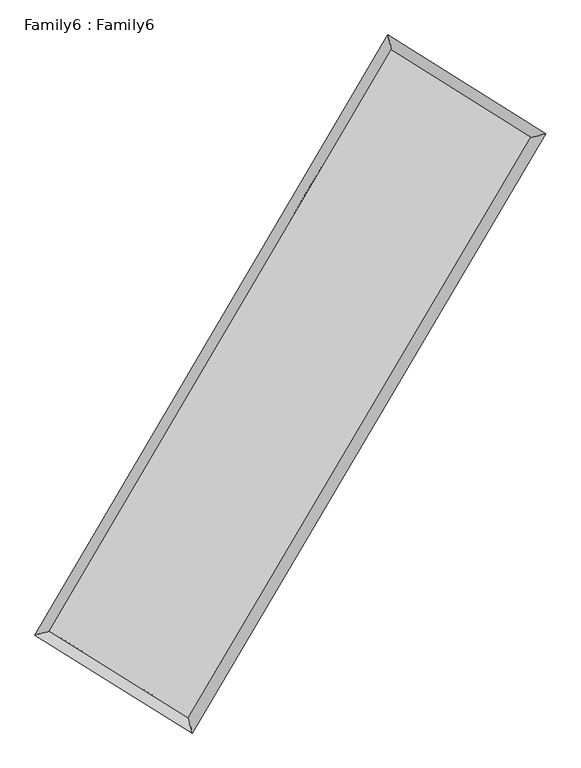
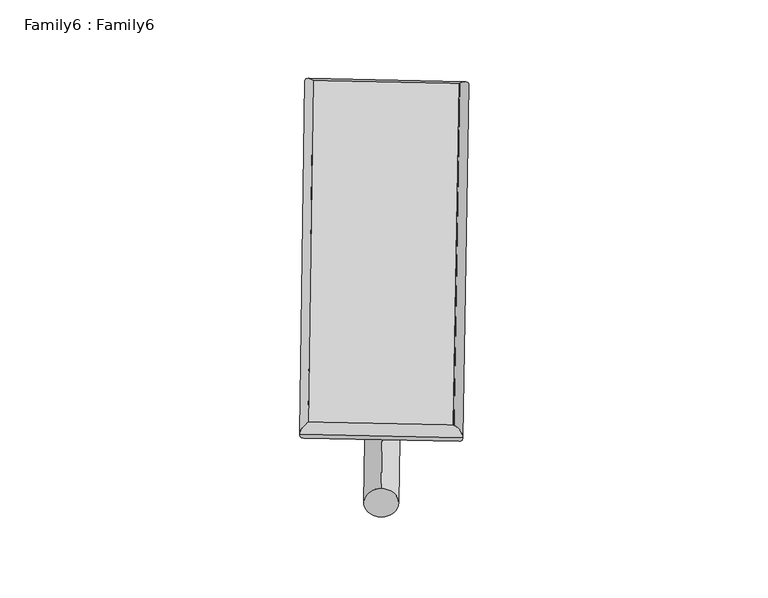
"""IFC4 building model written with IfcOpenShell, lengths in millimetres: plate geometry, Family6 : Family6."""

import ifcopenshell
import ifcopenshell.guid

model = None  # the IFC model being written
_history = None  # IfcOwnerHistory: only IFC2X3 demands one
_inside = {}  # id of a spatial element -> (the spatial element, [elements in it])
_under = {}  # id of a project, library or spatial element -> (it, [spatial elements below it])
_declared = {}  # id of a project -> (the project, [libraries it declares])
_typed = {}  # id of a type object -> (the type object, [elements of that type])
_made_of = {}  # id of a material, layer set ... -> (it, [elements and type objects made of it])


def new_model(schema):
    """Start an empty IFC model of exactly this schema.

    Asked for "IFC4X3", IfcOpenShell would pick the latest addendum, in which some entities
    have other attributes; the version numbers below select the first issue.
    IFC2X3 requires an IfcOwnerHistory on every rooted entity: one is made here for all.
    """
    global model, _history
    if schema == "IFC4X3":
        model = ifcopenshell.file(schema_version=(4, 3, 0, 0))
    else:
        model = ifcopenshell.file(schema=schema)
    _inside.clear()
    _under.clear()
    _declared.clear()
    _typed.clear()
    _made_of.clear()
    _history = None
    if model.schema == "IFC2X3":
        org = make("IfcOrganization", Name="unknown")
        user = make(
            "IfcPersonAndOrganization",
            ThePerson=make("IfcPerson", FamilyName="unknown"),
            TheOrganization=org,
        )
        app = make(
            "IfcApplication",
            ApplicationDeveloper=org,
            Version="unknown",
            ApplicationFullName="unknown",
            ApplicationIdentifier="unknown",
        )
        _history = make(
            "IfcOwnerHistory",
            OwningUser=user,
            OwningApplication=app,
            ChangeAction="ADDED",
            CreationDate=0,
        )
    return model


def make(cls, **values):
    """One entity of the class cls with the attributes given. An attribute that is None is left unset."""
    return model.create_entity(
        cls, **{name: value for name, value in values.items() if value is not None}
    )


def rooted(cls, **values):
    """An entity with a GlobalId (a new one), such as an element, a storey or a relation."""
    return make(cls, GlobalId=ifcopenshell.guid.new(), OwnerHistory=_history, **values)


def si_unit(unit_type, name, prefix=None):
    """IfcSIUnit, for example si_unit("LENGTHUNIT", "METRE", prefix="MILLI")."""
    return make("IfcSIUnit", UnitType=unit_type, Prefix=prefix, Name=name)


def assignment(units):
    """IfcUnitAssignment: the units of a project."""
    return None if units is None else make("IfcUnitAssignment", Units=units)


def point(xyz):
    """IfcCartesianPoint."""
    return None if xyz is None else make("IfcCartesianPoint", Coordinates=xyz)


def direction(xyz):
    """IfcDirection."""
    return None if xyz is None else make("IfcDirection", DirectionRatios=xyz)


def frame(location, z_axis=None, x_axis=None):
    """IfcAxis2Placement3D, a coordinate frame: its origin and axes. An axis left out is left unset."""
    return make(
        "IfcAxis2Placement3D",
        Location=point(location),
        Axis=direction(z_axis),
        RefDirection=direction(x_axis),
    )


def frame_2d(location, x_axis=None):
    """IfcAxis2Placement2D, a coordinate frame in the plane: its origin and x axis."""
    return make(
        "IfcAxis2Placement2D", Location=point(location), RefDirection=direction(x_axis)
    )


def origin():
    """The frame at (0, 0, 0) with its axes left unset."""
    return frame((0.0, 0.0, 0.0))


def origin_2d():
    """The frame at (0, 0) in the plane with its x axis left unset."""
    return frame_2d((0.0, 0.0))


def place(relative_to, where):
    """IfcLocalPlacement: puts the frame where relative to a parent placement (None: the world)."""
    return make(
        "IfcLocalPlacement", PlacementRelTo=relative_to, RelativePlacement=where
    )


def context(
    kind, dimensions, precision=None, world=None, true_north=None, identifier=None
):
    """IfcGeometricRepresentationContext, for example the 3D "Model" context."""
    return make(
        "IfcGeometricRepresentationContext",
        ContextIdentifier=identifier,
        ContextType=kind,
        CoordinateSpaceDimension=dimensions,
        Precision=precision,
        WorldCoordinateSystem=world,
        TrueNorth=true_north,
    )


def project(units=None, contexts=None):
    """IfcProject with its units and contexts."""
    return rooted(
        "IfcProject",
        Name="project",
        RepresentationContexts=contexts,
        UnitsInContext=assignment(units),
    )


def spatial(cls, under=None, at=None, **own):
    """A site, building, storey or space (cls), placed at a placement, below another one or the project."""
    s = rooted(cls, ObjectPlacement=at, **own)
    if under is not None:
        _under.setdefault(under.id(), (under, []))[1].append(s)
    return s


def circle_curve(where, radius):
    """IfcCircle in the frame where."""
    return make("IfcCircle", Position=where, Radius=radius)


def ellipse_curve(where, semi_axis1, semi_axis2):
    """IfcEllipse in the frame where."""
    return make(
        "IfcEllipse", Position=where, SemiAxis1=semi_axis1, SemiAxis2=semi_axis2
    )


def trimmed(basis, trim1, trim2, sense, master):
    """IfcTrimmedCurve: the piece of a basis curve between two trims."""
    return make(
        "IfcTrimmedCurve",
        BasisCurve=basis,
        Trim1=trim1,
        Trim2=trim2,
        SenseAgreement=sense,
        MasterRepresentation=master,
    )


def segment(curve, same_sense, transition):
    """IfcCompositeCurveSegment."""
    return make(
        "IfcCompositeCurveSegment",
        Transition=transition,
        SameSense=same_sense,
        ParentCurve=curve,
    )


def composite_curve(segments, self_intersect=None):
    """IfcCompositeCurve: segments joined end to end."""
    return make("IfcCompositeCurve", Segments=segments, SelfIntersect=self_intersect)


def outline(outer, holes=None, kind="AREA"):
    """IfcArbitraryClosedProfileDef: a profile drawn as a closed curve; with holes, ...WithVoids."""
    if holes is None:
        return make("IfcArbitraryClosedProfileDef", ProfileType=kind, OuterCurve=outer)
    return make(
        "IfcArbitraryProfileDefWithVoids",
        ProfileType=kind,
        OuterCurve=outer,
        InnerCurves=holes,
    )


def extrude(swept, where, along, depth):
    """IfcExtrudedAreaSolid: the profile swept, set in the frame where, extruded along a direction by depth."""
    return make(
        "IfcExtrudedAreaSolid",
        SweptArea=swept,
        Position=where,
        ExtrudedDirection=direction(along),
        Depth=depth,
    )


def shape(context_of_items, identifier, shape_type, items):
    """IfcShapeRepresentation: the items that make up one representation, for example the "Body"."""
    return make(
        "IfcShapeRepresentation",
        ContextOfItems=context_of_items,
        RepresentationIdentifier=identifier,
        RepresentationType=shape_type,
        Items=items,
    )


def source(mapping_origin, context_of_items, identifier, shape_type, items):
    """IfcRepresentationMap: a shape defined once, which mapped items show again and again."""
    return make(
        "IfcRepresentationMap",
        MappingOrigin=mapping_origin,
        MappedRepresentation=shape(context_of_items, identifier, shape_type, items),
    )


def transform(
    local_origin,
    x_axis=None,
    y_axis=None,
    z_axis=None,
    scale=None,
    scale2=None,
    scale3=None,
    uniform=True,
):
    """IfcCartesianTransformationOperator3D, or its non-uniform kind. x_axis, y_axis, z_axis: its Axis1, 2, 3."""
    if uniform:
        return make(
            "IfcCartesianTransformationOperator3D",
            Axis1=direction(x_axis),
            Axis2=direction(y_axis),
            LocalOrigin=point(local_origin),
            Scale=scale,
            Axis3=direction(z_axis),
        )
    return make(
        "IfcCartesianTransformationOperator3DnonUniform",
        Axis1=direction(x_axis),
        Axis2=direction(y_axis),
        LocalOrigin=point(local_origin),
        Scale=scale,
        Axis3=direction(z_axis),
        Scale2=scale2,
        Scale3=scale3,
    )


def mapped(mapping_source, mapping_target):
    """IfcMappedItem: shows the shape of a source again, moved by a transform."""
    return make(
        "IfcMappedItem", MappingSource=mapping_source, MappingTarget=mapping_target
    )


def made_of(thing, what):
    """Note that an element or type object is made of a material, layer set ...; save() writes the relation."""
    if what is not None:
        _made_of.setdefault(what.id(), (what, []))[1].append(thing)
    return thing


def element(
    cls,
    number,
    at=None,
    inside=None,
    cuts=None,
    type_object=None,
    material=None,
    context=None,
    identifier="Body",
    shape_type=None,
    held_by="IfcProductDefinitionShape",
    body=None,
    shapes=None,
    **own,
):
    """One element of the class cls, such as IfcWall. Its Tag is "e" and its number.

    at: its placement. inside: the storey or other place that contains it. cuts: it is an
    opening in that element (IfcRelVoidsElement). A single representation is given by context,
    identifier, shape_type and body (its items); several are given by shapes. held_by: the class
    of the entity that holds the representations. save() writes the other relations.
    """
    e = rooted(cls, Tag="e%d" % number, ObjectPlacement=at, **own)
    if body is not None:
        shapes = [shape(context, identifier, shape_type, body)]
    if shapes is not None:
        e.Representation = make(held_by, Representations=shapes)
    if inside is not None:
        _inside.setdefault(inside.id(), (inside, []))[1].append(e)
    if cuts is not None:
        rooted(
            "IfcRelVoidsElement", RelatingBuildingElement=cuts, RelatedOpeningElement=e
        )
    if type_object is not None:
        _typed.setdefault(type_object.id(), (type_object, []))[1].append(e)
    return made_of(e, material)


def aggregate(whole, parts):
    """IfcRelAggregates: a whole, such as a stair, and the parts it consists of."""
    return rooted("IfcRelAggregates", RelatingObject=whole, RelatedObjects=parts)


def save(model, path):
    """Write the relations noted so far, then the file.

    IfcRelAggregates (storeys below a building ...), IfcRelContainedInSpatialStructure (elements
    in a storey), IfcRelDefinesByType, IfcRelAssociatesMaterial and IfcRelDeclares: one each for
    every whole, place, type object, material and project.
    """
    for whole, parts in _under.values():
        aggregate(whole, parts)
    for where, things in _inside.values():
        rooted(
            "IfcRelContainedInSpatialStructure",
            RelatedElements=things,
            RelatingStructure=where,
        )
    for kind, things in _typed.values():
        rooted("IfcRelDefinesByType", RelatedObjects=things, RelatingType=kind)
    for what, things in _made_of.values():
        rooted("IfcRelAssociatesMaterial", RelatedObjects=things, RelatingMaterial=what)
    for by, libraries in _declared.values():
        rooted("IfcRelDeclares", RelatingContext=by, RelatedDefinitions=libraries)
    model.write(path)


def plane_surface(at):
    """IfcPlane: the flat surface through the origin of the frame at, square to its z axis."""
    return make("IfcPlane", Position=at)


def cylinder_surface(at, radius):
    """IfcCylindricalSurface: all points at the distance radius from the z axis of the frame at."""
    return make("IfcCylindricalSurface", Position=at, Radius=radius)


def spline_surface(u_degree, v_degree, points, u_multiplicities, v_multiplicities, u_knots, v_knots, weights=None):
    """IfcBSplineSurfaceWithKnots; with weights, IfcRationalBSplineSurfaceWithKnots. points: one row for each step in u."""
    own = dict(
        UDegree=u_degree,
        VDegree=v_degree,
        ControlPointsList=[[point(p) for p in row] for row in points],
        SurfaceForm="UNSPECIFIED",
        UClosed=False,
        VClosed=False,
        SelfIntersect=False,
        UMultiplicities=u_multiplicities,
        VMultiplicities=v_multiplicities,
        UKnots=u_knots,
        VKnots=v_knots,
        KnotSpec="UNSPECIFIED",
    )
    if weights is None:
        return make("IfcBSplineSurfaceWithKnots", **own)
    return make("IfcRationalBSplineSurfaceWithKnots", WeightsData=weights, **own)


def advanced_brep(points, edges, surfaces, faces):
    """IfcAdvancedBrep: a solid bounded by faces that lie on surfaces and meet in shared edges.

    An edge is (start, end): straight between two places in points (the first is 0);
    or (start, end, curve); or (start, end, curve, False) where it runs against its curve.
    A face is (place in surfaces, loops), or (place, loops, False) where it looks against
    its surface's normal. A loop lists edges by number (the first is 1), with a minus sign
    where the edge is run from its end to its start. The first loop is the outer one.
    """
    corners = [point(p) for p in points]
    vertices = [make("IfcVertexPoint", VertexGeometry=c) for c in corners]
    made = []
    for start, end, *more in edges:
        made.append(
            make(
                "IfcEdgeCurve",
                EdgeStart=vertices[start],
                EdgeEnd=vertices[end],
                EdgeGeometry=more[0] if more else make("IfcPolyline", Points=[corners[start], corners[end]]),
                SameSense=more[1] if len(more) > 1 else True,
            )
        )
    hull = []
    for where, loops, *sense in faces:
        bounds = []
        for j, loop in enumerate(loops):
            ring = [make("IfcOrientedEdge", EdgeElement=made[abs(k) - 1], Orientation=k > 0) for k in loop]
            bounds.append(
                make(
                    "IfcFaceOuterBound" if j == 0 else "IfcFaceBound",
                    Bound=make("IfcEdgeLoop", EdgeList=ring),
                    Orientation=True,
                )
            )
        hull.append(make("IfcAdvancedFace", Bounds=bounds, FaceSurface=surfaces[where], SameSense=sense[0] if sense else True))
    return make("IfcAdvancedBrep", Outer=make("IfcClosedShell", CfsFaces=hull))


def family6_family6_1fa58dff(model_context):
    return source(origin(), model_context, "Body", "SolidModel", [
        extrude(outline(composite_curve([segment(trimmed(circle_curve(origin_2d(), 76.2), [point((-75.4341514, -10.7763073))], [point((75.4341514, 10.7763073))], False, "CARTESIAN"), True, "CONTINUOUS"), segment(trimmed(circle_curve(origin_2d(), 76.2), [point((75.4341514, 10.7763073))], [point((-75.4341514, -10.7763073))], False, "CARTESIAN"), True, "CONTINUOUS")], self_intersect=False)), frame((9144.0, 9144.0, 0.0), z_axis=(0.6730465210043537, 0.6867274401915723, 0.2746157378080629), x_axis=(-0.6789282683302689, 0.7209465183158511, -0.13889753126069096)), (0.0, 0.0, 1.0), 5546.9501847),
        extrude(outline(composite_curve([segment(trimmed(circle_curve(origin_2d(), 76.2), [point((-53.8815368, 53.8815367))], [point((53.8815368, -53.8815367))], False, "CARTESIAN"), True, "CONTINUOUS"), segment(trimmed(circle_curve(origin_2d(), 76.2), [point((53.8815368, -53.8815367))], [point((-53.8815368, 53.8815367))], False, "CARTESIAN"), True, "CONTINUOUS")], self_intersect=False)), frame((9144.0, 9144.0, 0.0), z_axis=(-0.6719550301406915, -0.6877951512992998, 0.2746165823794986), x_axis=(0.6427975591540431, -0.35748488775074677, 0.6775070870296787)), (0.0, 0.0, 1.0), 5546.8122162),
        extrude(outline(composite_curve([segment(trimmed(circle_curve(origin_2d(), 76.2), [point((-53.8815367, -53.8815367))], [point((53.8815367, 53.8815367))], False, "CARTESIAN"), True, "CONTINUOUS"), segment(trimmed(circle_curve(origin_2d(), 76.2), [point((53.8815367, 53.8815367))], [point((-53.8815367, -53.8815367))], False, "CARTESIAN"), True, "CONTINUOUS")], self_intersect=False)), frame((9144.0, 9144.0, 0.0), z_axis=(0.27763711445505146, 0.9216302278051494, 0.2711371532507143), x_axis=(-0.8389629930928768, 0.3701035100527801, -0.398954243074633)), (0.0, 0.0, 1.0), 5612.7161897),
        extrude(outline(composite_curve([segment(trimmed(circle_curve(origin_2d(), 76.2), [point((-75.4341514, 10.7763073))], [point((75.4341514, -10.7763073))], False, "CARTESIAN"), True, "CONTINUOUS"), segment(trimmed(circle_curve(origin_2d(), 76.2), [point((75.4341514, -10.7763073))], [point((-75.4341514, 10.7763073))], False, "CARTESIAN"), True, "CONTINUOUS")], self_intersect=False)), frame((9144.0, 9144.0, 0.0), z_axis=(-0.27885963554961796, -0.9211916197683794, 0.2713729966847182), x_axis=(0.8774045099587613, -0.12952320068295242, 0.4619362146323555)), (0.0, 0.0, 1.0), 5607.5043685),
        advanced_brep(
        [(5210.1861397, 5278.2433666, 1523.1303997), (5210.1860732, 5278.2432616, 1523.3988313), (5623.3971205, 5379.6155385, 1523.3628281), (10754.1885434, 14104.4441418, 1521.9739835), (10650.408111, 14529.2536593, 1521.6577958), (5623.397187, 5379.6156435, 1523.0943965), (12670.6958383, 12902.9305223, 1523.2638937), (13084.0152097, 13003.5552801, 1523.2957414), (7528.4601478, 4190.4245401, 1521.7547782), (7632.1266032, 3766.4033958, 1521.6957506)],
        [
            (0, 1, ellipse_curve(frame((5416.7916301, 5328.9294526, 1523.2466139), z_axis=(-0.23826277777143207, 0.9712006723483628, 0.0003205600249828882), x_axis=(-0.9712005478251877, -0.23826292077752864, 0.0005258199465786753)), 212.7321575, 152.4)),
            (1, 2, ellipse_curve(frame((5416.7916301, 5328.9294526, 1523.2466139), z_axis=(-0.23826277777143207, 0.9712006723483628, 0.0003205600249828882), x_axis=(-0.9712005478251877, -0.23826292077752864, 0.0005258199465786753)), 212.7321575, 152.4)),
            (2, 3),
            (3, 4, ellipse_curve(frame((10702.2983272, 14316.8489005, 1521.8158897), z_axis=(-0.9714315441160211, -0.23731973916420362, -0.00031064352120602657), x_axis=(0.23731957287529448, -0.9714315091562504, 0.0004933038594426538)), 218.6513292, 152.4)),
            (4, 0),
            (2, 5, ellipse_curve(frame((5416.7916301, 5328.9294526, 1523.2466139), z_axis=(-0.23826277777143207, 0.9712006723483628, 0.0003205600249828882), x_axis=(-0.9712005478251877, -0.23826292077752864, 0.0005258199465786753)), 212.7321575, 152.4)),
            (5, 0, ellipse_curve(frame((5416.7916301, 5328.9294526, 1523.2466139), z_axis=(-0.23826277777143207, 0.9712006723483628, 0.0003205600249828882), x_axis=(-0.9712005478251877, -0.23826292077752864, 0.0005258199465786753)), 212.7321575, 152.4)),
            (4, 3, ellipse_curve(frame((10702.2983272, 14316.8489005, 1521.8158897), z_axis=(-0.9714315441160211, -0.23731973916420362, -0.00031064352120602657), x_axis=(0.23731957287529448, -0.9714315091562504, 0.0004933038594426538)), 218.6513292, 152.4)),
            (3, 6),
            (6, 7, ellipse_curve(frame((12877.355524, 12953.2429012, 1523.2798175), z_axis=(-0.23654599686127958, 0.9716202473323797, -0.00029384123002065734), x_axis=(-0.9716201242561134, -0.23654612284616702, -0.0005156616923277679)), 212.6959561, 152.4)),
            (7, 4),
            (7, 6, ellipse_curve(frame((12877.355524, 12953.2429012, 1523.2798175), z_axis=(-0.23654599686127958, 0.9716202473323797, -0.00029384123002065734), x_axis=(-0.9716201242561134, -0.23654612284616702, -0.0005156616923277679)), 212.6959561, 152.4)),
            (6, 8),
            (8, 9, ellipse_curve(frame((7580.2933755, 3978.4139679, 1521.7252644), z_axis=(0.9713900458201122, 0.2374895287691641, -0.0003203226510364158), x_axis=(-0.2374893466757768, 0.9713900035197431, 0.0005208429956998879)), 218.2548385, 152.4)),
            (9, 7),
            (9, 8, ellipse_curve(frame((7580.2933755, 3978.4139679, 1521.7252644), z_axis=(0.9713900458201122, 0.2374895287691641, -0.0003203226510364158), x_axis=(-0.2374893466757768, 0.9713900035197431, 0.0005208429956998879)), 218.2548385, 152.4)),
            (8, 5),
            (1, 9),
        ],
        [
            cylinder_surface(frame((5416.7916301, 5328.9294526, 1523.2466139), z_axis=(-0.5069129024438782, -0.8619972682717013, 0.00013721533458554855), x_axis=(-0.8619969925595123, 0.5069125976474341, -0.0008961945585026987)), 152.4),
            cylinder_surface(frame((10702.2983272, 14316.8489005, 1521.8158897), z_axis=(-0.8472628794844556, 0.5311735007131188, -0.000570252470118282), x_axis=(0.5311737508843913, 0.8472627946818213, -0.00045068764861698897)), 152.4),
            cylinder_surface(frame((12877.355524, 12953.2429012, 1523.2798175), z_axis=(0.5082850203969638, 0.8611888966938356, 0.000149168738473267), x_axis=(0.861188908649265, -0.5082850203969638, -4.073752826064981e-05)), 152.4),
            cylinder_surface(frame((7580.2933755, 3978.4139679, 1521.7252644), z_axis=(0.8482928589773661, -0.5295270244133948, -0.0005965097674743153), x_axis=(-0.5295268609490139, -0.8482930678285142, 0.0004178607084340334)), 152.4),
        ],
        [
            (0, [[1, 2, 3, 4, 5]]),
            (0, [[6, 7, -5, 8, -3]]),
            (1, [[-4, 9, 10, 11]]),
            (1, [[-8, -11, 12, -9]]),
            (2, [[-10, 13, 14, 15]]),
            (2, [[-12, -15, 16, -13]]),
            (3, [[-14, 17, -6, -2, 18]]),
            (3, [[-16, -18, -1, -7, -17]]),
        ],
    ),
        extrude(outline(composite_curve([segment(trimmed(circle_curve(origin_2d(), 304.8), [point((0.0, 304.8))], [point((0.0, -304.8))], False, "CARTESIAN"), True, "CONTINUOUS"), segment(trimmed(circle_curve(origin_2d(), 304.8), [point((0.0, -304.8))], [point((0.0, 304.8))], False, "CARTESIAN"), True, "CONTINUOUS")], self_intersect=False)), frame((11797.7834058, 13646.0368765, -5.1e-06), z_axis=(-0.5078055568202784, -0.8614717154163838, 9.67877372709055e-10), x_axis=(-0.8614717154163838, 0.5078055568202784, -2.6403490534495174e-10)), (0.0, 0.0, 1.0), 10451.9667819),
        advanced_brep(
        [(5416.7916301, 5328.9294526, 1523.2466139), (7580.2933755, 3978.4139679, 1521.7252644), (7580.2941232, 3978.4124829, 1674.1252644), (5416.7923778, 5328.9279675, 1675.6466139), (12877.355524, 12953.2429012, 1523.2798175), (12877.3562717, 12953.2414161, 1675.6798175), (10702.2983272, 14316.8489005, 1521.8158897), (10702.2990749, 14316.8474155, 1674.2158897)],
        [
            (0, 1),
            (1, 2),
            (2, 3),
            (3, 0),
            (1, 4),
            (4, 5),
            (5, 2),
            (4, 6),
            (6, 7),
            (7, 5),
            (6, 0),
            (3, 7),
        ],
        [
            plane_surface(frame((6498.5425028, 4653.6717102, 1522.4859392), z_axis=(-0.5295271214822886, -0.8482930080948171, -5.668189116160842e-06), x_axis=(0.8482928589773665, -0.529527024413394, -0.0005965097674743158))),
            plane_surface(frame((10228.8244497, 8465.8284346, 1522.502541), z_axis=(0.8611889069347461, -0.5082850248515083, -9.1781740358759e-06), x_axis=(0.5082850203969633, 0.8611888966938357, 0.0001491687384732667))),
            plane_surface(frame((11789.8269256, 13635.0459009, 1522.5478536), z_axis=(0.531173584340398, 0.8472630189422004, 5.650074462876242e-06), x_axis=(-0.8472628794844557, 0.5311735007131185, -0.0005702524701182821))),
            plane_surface(frame((8059.5449786, 9822.8891765, 1522.5312518), z_axis=(-0.8619972757125867, 0.5069129082791367, 9.168769521357047e-06), x_axis=(-0.5069129024438784, -0.8619972682717011, 0.0001372153345855485))),
            spline_surface(1, 1, [[(7580.2941232, 3978.4124829, 1674.1252644), (5416.7923778, 5328.9279675, 1675.6466139)], [(12877.3562717, 12953.2414161, 1675.6798175), (10702.2990749, 14316.8474155, 1674.2158897)]], [2, 2], [2, 2], [0.0, 1.0], [0.0, 1.0]),
            spline_surface(1, 1, [[(10702.2983272, 14316.8489005, 1521.8158897), (5416.7916301, 5328.9294526, 1523.2466139)], [(12877.355524, 12953.2429012, 1523.2798175), (7580.2933755, 3978.4139679, 1521.7252644)]], [2, 2], [2, 2], [0.0, 1.0], [0.0, 1.0]),
        ],
        [
            (0, [[1, 2, 3, 4]]),
            (1, [[5, 6, 7, -2]]),
            (2, [[8, 9, 10, -6]]),
            (3, [[11, -4, 12, -9]]),
            (4, [[-3, -7, -10, -12]]),
            (5, [[-11, -8, -5, -1]]),
        ],
    ),
    ])


if __name__ == "__main__":
    model = new_model("IFC4")
    model_context = context("Model", 3, world=origin())
    ifc_project = project(units=[si_unit("LENGTHUNIT", "METRE", prefix="MILLI")], contexts=[model_context])
    site = spatial("IfcSite", under=ifc_project)
    building = spatial("IfcBuilding", under=site)
    placement = place(None, origin())
    family6_family6_shape = family6_family6_1fa58dff(model_context)
    element("IfcPlate", 1, ObjectType="Family6 : Family6", at=placement, inside=building, context=model_context, shape_type="MappedRepresentation", body=[
        mapped(family6_family6_shape, transform((0.0, 0.0, 0.0), x_axis=(1.0, 0.0, 0.0), y_axis=(0.0, 1.0, 0.0), z_axis=(0.0, 0.0, 1.0))),
    ])
    save(model, "model.ifc")
